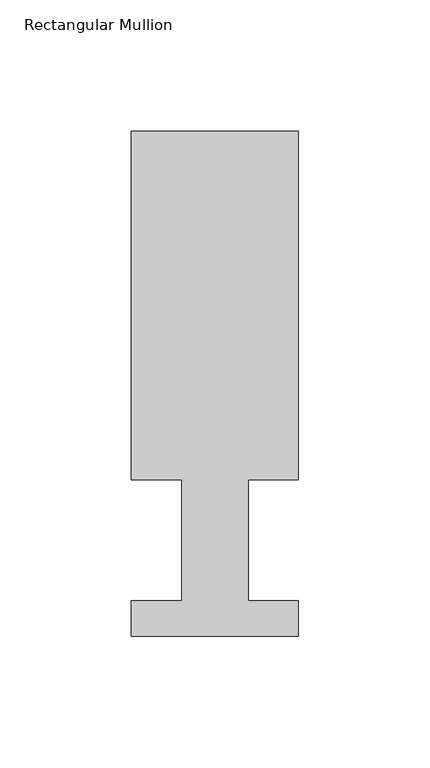
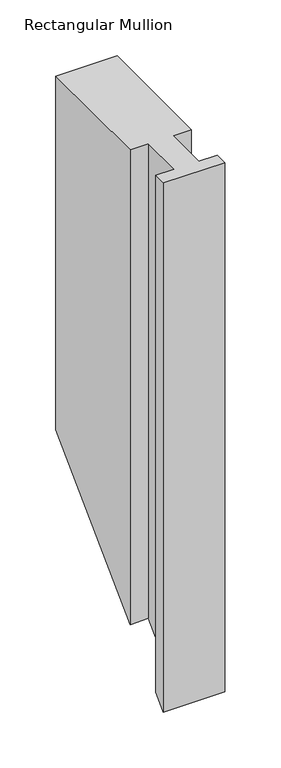
"""IFC4 building model written with IfcOpenShell, lengths in millimetres: member geometry, Rectangular Mullion."""

from ifc_helpers import new_model, si_unit, origin, place, context, project, spatial, faceted_brep, source, transform, mapped, element, save


def rectangular_mullion_3178a2bc(model_context):
    return source(origin(), model_context, "Body", "Brep", [
        faceted_brep([(-63.5, 192.09385, 0.0), (-63.5, 59.53125, 0.0), (-44.45, 59.53125, 0.0), (-44.45, 13.50645, 0.0), (-63.5, 13.50645, 0.0), (-63.5, 0.04445, 0.0), (0.0, 0.04445, 0.0), (0.0, 13.50645, 0.0), (-19.0373, 13.50645, 0.0), (-19.0373, 59.53125, 0.0), (0.0, 59.53125, 0.0), (0.0, 192.09385, 0.0), (-63.5, 192.09385, -385.75615), (-63.5, 59.53125, -518.31875), (-44.45, 59.53125, -518.31875), (-44.45, 13.50645, -564.34355), (-63.5, 13.50645, -564.34355), (-63.5, 0.04445, -577.80555), (0.0, 0.04445, -577.80555), (0.0, 13.50645, -564.34355), (-19.0373, 13.50645, -564.34355), (-19.0373, 59.53125, -518.31875), (0.0, 59.53125, -518.31875), (0.0, 192.09385, -385.75615)], [[[0, 1, 2, 3, 4, 5, 6, 7, 8, 9, 10, 11]], [[1, 0, 12, 13]], [[2, 1, 13, 14]], [[3, 2, 14, 15]], [[4, 3, 15, 16]], [[5, 4, 16, 17]], [[6, 5, 17, 18]], [[7, 6, 18, 19]], [[8, 7, 19, 20]], [[9, 8, 20, 21]], [[10, 9, 21, 22]], [[11, 10, 22, 23]], [[0, 11, 23, 12]], [[12, 23, 22, 21, 20, 19, 18, 17, 16, 15, 14, 13]]]),
    ])


if __name__ == "__main__":
    model = new_model("IFC4")
    model_context = context("Model", 3, world=origin())
    ifc_project = project(units=[si_unit("LENGTHUNIT", "METRE", prefix="MILLI")], contexts=[model_context])
    site = spatial("IfcSite", under=ifc_project)
    building = spatial("IfcBuilding", under=site)
    placement = place(None, origin())
    rectangular_mullion_shape = rectangular_mullion_3178a2bc(model_context)
    element("IfcMember", 1, ObjectType="Rectangular Mullion", at=placement, inside=building, context=model_context, shape_type="MappedRepresentation", body=[
        mapped(rectangular_mullion_shape, transform((0.0, 0.0, 0.0), x_axis=(1.0, 0.0, 0.0), y_axis=(0.0, 1.0, 0.0), z_axis=(0.0, 0.0, 1.0))),
    ])
    save(model, "model.ifc")
